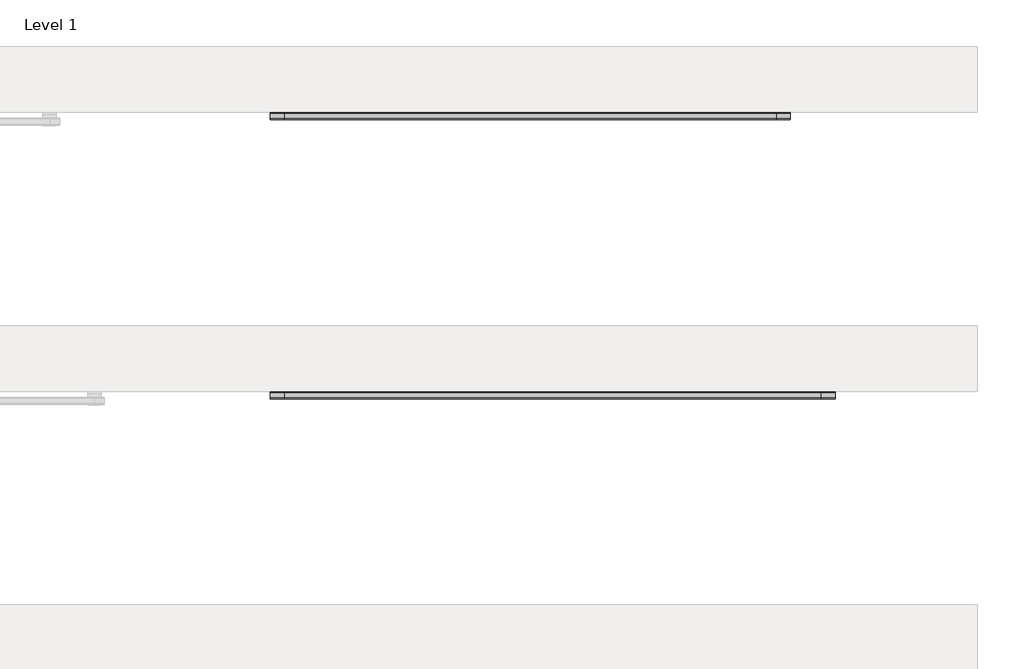
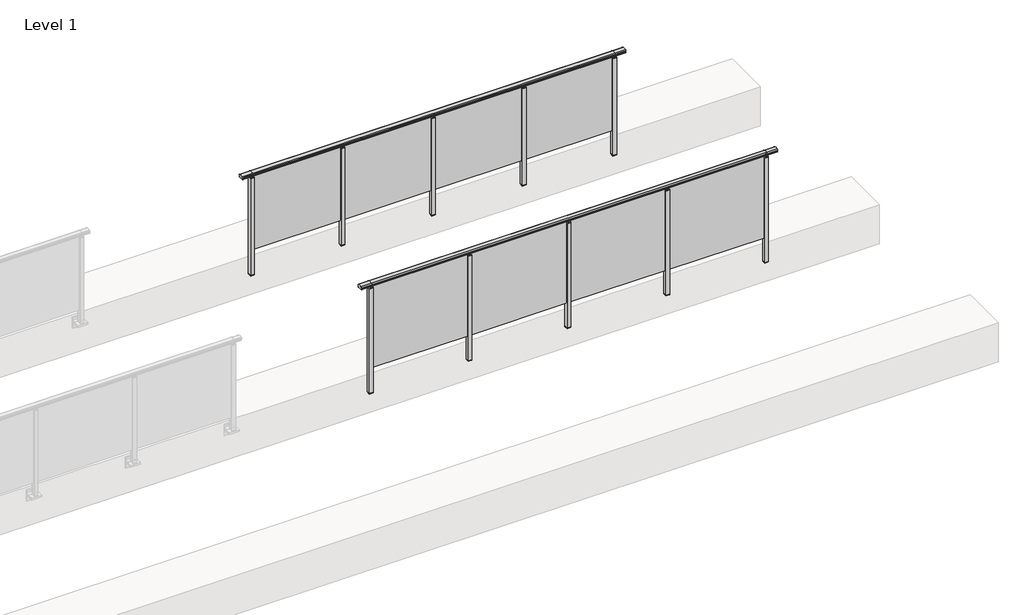
# One storey, part 60 of 64: 2 railings.
"""IFC4 building model written with IfcOpenShell, lengths in millimetres."""

from ifc_helpers import new_model, si_unit, frame, origin, place, context, project, spatial, polyline, circle_curve, outline, extrude, element, save
from ifc_brep_helpers import plane_surface, cylinder_surface, revolved_surface, advanced_brep

model = new_model("IFC4")

# Units and contexts
model_context = context("Model", 3, world=origin())
ifc_project = project(units=[si_unit("LENGTHUNIT", "METRE", prefix="MILLI")], contexts=[model_context])

# Site, building, storey
site = spatial("IfcSite", under=ifc_project)
building = spatial("IfcBuilding", under=site)
storey = spatial("IfcBuildingStorey", under=building, Name="Level 1", Elevation=0.0)

# Railings
placement = place(None, origin())
element("IfcRailing", 1, at=placement, inside=storey, context=model_context, shape_type="SolidModel", body=[
    advanced_brep(
    [(49372.5, 32392.8633756, 1195.6691182), (49372.5, 32397.6846828, 1181.1334092), (49372.5, 32396.7413744, 1169.2539035), (49372.5, 32398.6364177, 1161.4863007), (49372.5, 32396.9894799, 1160.384124), (49372.5, 32396.9894799, 1162.0), (49372.5, 32338.3798858, 1162.0), (49372.5, 32338.3798858, 1160.384124), (49372.5, 32336.732948, 1161.4863007), (49372.5, 32338.6279912, 1169.2539035), (49372.5, 32337.6846828, 1181.1334092), (49372.5, 32342.50599, 1195.6691182), (54427.5, 32392.8633756, 1195.6691182), (54427.5, 32342.50599, 1195.6691182), (54427.5, 32337.6846828, 1181.1334092), (54427.5, 32338.6279912, 1169.2539035), (54427.5, 32336.732948, 1161.4863007), (54427.5, 32338.3798858, 1160.384124), (54427.5, 32338.3798858, 1162.0), (54427.5, 32396.9894799, 1162.0), (54427.5, 32396.9894799, 1160.384124), (54427.5, 32398.6364177, 1161.4863007), (54427.5, 32396.7413744, 1169.2539035), (54427.5, 32397.6846828, 1181.1334092), (49500.0, 32392.8633756, 1195.6691182), (49500.0, 32397.6846828, 1181.1334092), (49500.0, 32396.7413744, 1169.2539035), (49500.0, 32398.6364177, 1161.4863007), (49500.0, 32396.9894799, 1160.384124), (49500.0, 32396.9894799, 1162.0), (49500.0, 32338.3798858, 1162.0), (49500.0, 32338.3798858, 1160.384124), (49500.0, 32336.732948, 1161.4863007), (49500.0, 32338.6279912, 1169.2539035), (49500.0, 32337.6846828, 1181.1334092), (49500.0, 32342.50599, 1195.6691182), (54300.0, 32392.8633756, 1195.6691182), (54300.0, 32397.6846828, 1181.1334092), (54300.0, 32396.7413744, 1169.2539035), (54300.0, 32398.6364177, 1161.4863007), (54300.0, 32396.9894799, 1160.384124), (54300.0, 32396.9894799, 1162.0), (54300.0, 32338.3798858, 1162.0), (54300.0, 32338.3798858, 1160.384124), (54300.0, 32336.732948, 1161.4863007), (54300.0, 32338.6279912, 1169.2539035), (54300.0, 32337.6846828, 1181.1334092), (54300.0, 32342.50599, 1195.6691182)],
    [
        (0, 1, circle_curve(frame((49372.5, 32389.6223845, 1186.526686), z_axis=(-1.0, 0.0, 0.0), x_axis=(0.0, -1.0, 0.0)), 9.6999015)),
        (1, 2, circle_curve(frame((49372.5, 32415.2252545, 1173.7633709), z_axis=(1.0, 0.0, 0.0), x_axis=(0.0, -1.0, 0.0)), 19.0260117)),
        (2, 3),
        (3, 4, circle_curve(frame((49372.5, 32397.7772073, 1160.9886194), z_axis=(-1.0, 0.0, 0.0), x_axis=(0.0, -1.0, 0.0)), 0.9929396)),
        (4, 5),
        (5, 6),
        (6, 7),
        (7, 8, circle_curve(frame((49372.5, 32337.5921584, 1160.9886194), z_axis=(-1.0, 0.0, 0.0), x_axis=(0.0, 1.0, 0.0)), 0.9929396)),
        (8, 9),
        (9, 10, circle_curve(frame((49372.5, 32320.1441111, 1173.7633709), z_axis=(1.0, 0.0, 0.0), x_axis=(0.0, 1.0, 0.0)), 19.0260117)),
        (10, 11, circle_curve(frame((49372.5, 32345.7469812, 1186.526686), z_axis=(-1.0, 0.0, 0.0), x_axis=(0.0, 1.0, 0.0)), 9.6999015)),
        (11, 0, circle_curve(frame((49372.5, 32367.6846828, 1124.6431628), z_axis=(-1.0, 0.0, 0.0), x_axis=(0.0, 1.0, 0.0)), 75.3568372)),
        (12, 13, circle_curve(frame((54427.5, 32367.6846828, 1124.6431628), z_axis=(1.0, 0.0, 0.0), x_axis=(0.0, 1.0, 0.0)), 75.3568372)),
        (13, 14, circle_curve(frame((54427.5, 32345.7469812, 1186.526686), z_axis=(1.0, 0.0, 0.0), x_axis=(0.0, 1.0, 0.0)), 9.6999015)),
        (14, 15, circle_curve(frame((54427.5, 32320.1441111, 1173.7633709), z_axis=(-1.0, 0.0, 0.0), x_axis=(0.0, 1.0, 0.0)), 19.0260117)),
        (15, 16),
        (16, 17, circle_curve(frame((54427.5, 32337.5921584, 1160.9886194), z_axis=(1.0, 0.0, 0.0), x_axis=(0.0, 1.0, 0.0)), 0.9929396)),
        (17, 18),
        (18, 19),
        (19, 20),
        (20, 21, circle_curve(frame((54427.5, 32397.7772073, 1160.9886194), z_axis=(1.0, 0.0, 0.0), x_axis=(0.0, -1.0, 0.0)), 0.9929396)),
        (21, 22),
        (22, 23, circle_curve(frame((54427.5, 32415.2252545, 1173.7633709), z_axis=(-1.0, 0.0, 0.0), x_axis=(0.0, -1.0, 0.0)), 19.0260117)),
        (23, 12, circle_curve(frame((54427.5, 32389.6223845, 1186.526686), z_axis=(1.0, 0.0, 0.0), x_axis=(0.0, -1.0, 0.0)), 9.6999015)),
        (0, 24),
        (24, 25, circle_curve(frame((49500.0, 32389.6223845, 1186.526686), z_axis=(-1.0, 0.0, 0.0), x_axis=(0.0, -1.0, 0.0)), 9.6999015)),
        (25, 1),
        (25, 26, circle_curve(frame((49500.0, 32415.2252545, 1173.7633709), z_axis=(1.0, 0.0, 0.0), x_axis=(0.0, -1.0, 0.0)), 19.0260117)),
        (26, 2),
        (26, 27),
        (27, 3),
        (27, 28, circle_curve(frame((49500.0, 32397.7772073, 1160.9886194), z_axis=(-1.0, 0.0, 0.0), x_axis=(0.0, -1.0, 0.0)), 0.9929396)),
        (28, 4),
        (28, 29),
        (29, 5),
        (29, 30),
        (30, 6),
        (30, 31),
        (31, 7),
        (31, 32, circle_curve(frame((49500.0, 32337.5921584, 1160.9886194), z_axis=(-1.0, 0.0, 0.0), x_axis=(0.0, 1.0, 0.0)), 0.9929396)),
        (32, 8),
        (32, 33),
        (33, 9),
        (33, 34, circle_curve(frame((49500.0, 32320.1441111, 1173.7633709), z_axis=(1.0, 0.0, 0.0), x_axis=(0.0, 1.0, 0.0)), 19.0260117)),
        (34, 10),
        (34, 35, circle_curve(frame((49500.0, 32345.7469812, 1186.526686), z_axis=(-1.0, 0.0, 0.0), x_axis=(0.0, 1.0, 0.0)), 9.6999015)),
        (35, 11),
        (35, 24, circle_curve(frame((49500.0, 32367.6846828, 1124.6431628), z_axis=(-1.0, 0.0, 0.0), x_axis=(0.0, 1.0, 0.0)), 75.3568372)),
        (24, 36),
        (36, 37, circle_curve(frame((54300.0, 32389.6223845, 1186.526686), z_axis=(-1.0, 0.0, 0.0), x_axis=(0.0, -1.0, 0.0)), 9.6999015)),
        (37, 25),
        (37, 38, circle_curve(frame((54300.0, 32415.2252545, 1173.7633709), z_axis=(1.0, 0.0, 0.0), x_axis=(0.0, -1.0, 0.0)), 19.0260117)),
        (38, 26),
        (38, 39),
        (39, 27),
        (39, 40, circle_curve(frame((54300.0, 32397.7772073, 1160.9886194), z_axis=(-1.0, 0.0, 0.0), x_axis=(0.0, -1.0, 0.0)), 0.9929396)),
        (40, 28),
        (40, 41),
        (41, 29),
        (41, 42),
        (42, 30),
        (42, 43),
        (43, 31),
        (43, 44, circle_curve(frame((54300.0, 32337.5921584, 1160.9886194), z_axis=(-1.0, 0.0, 0.0), x_axis=(0.0, 1.0, 0.0)), 0.9929396)),
        (44, 32),
        (44, 45),
        (45, 33),
        (45, 46, circle_curve(frame((54300.0, 32320.1441111, 1173.7633709), z_axis=(1.0, 0.0, 0.0), x_axis=(0.0, 1.0, 0.0)), 19.0260117)),
        (46, 34),
        (46, 47, circle_curve(frame((54300.0, 32345.7469812, 1186.526686), z_axis=(-1.0, 0.0, 0.0), x_axis=(0.0, 1.0, 0.0)), 9.6999015)),
        (47, 35),
        (47, 36, circle_curve(frame((54300.0, 32367.6846828, 1124.6431628), z_axis=(-1.0, 0.0, 0.0), x_axis=(0.0, 1.0, 0.0)), 75.3568372)),
        (36, 12),
        (23, 37),
        (22, 38),
        (21, 39),
        (20, 40),
        (19, 41),
        (18, 42),
        (17, 43),
        (16, 44),
        (15, 45),
        (14, 46),
        (13, 47),
    ],
    [
        plane_surface(frame((49372.5, 32367.6846828, 1200.0), z_axis=(-1.0, 0.0, 0.0), x_axis=(0.0, 1.0, 0.0))),
        plane_surface(frame((54427.5, 32367.6846828, 1200.0), z_axis=(1.0, 0.0, 0.0), x_axis=(0.0, 1.0, 0.0))),
        cylinder_surface(frame((49372.5, 32389.6223845, 1186.526686), z_axis=(-1.0, 0.0, 0.0), x_axis=(0.0, -1.0, 0.0)), 9.6999015),
        revolved_surface(polyline([(49500.0, 32396.1992428, 1173.7633709), (49372.5, 32396.1992428, 1173.7633709)]), (49372.5, 32415.2252545, 1173.7633709), (1.0, 0.0, 0.0)),
        plane_surface(frame((49372.5, 32396.7413744, 1169.2539035), z_axis=(0.0, 0.9715057689301543, 0.2370159086125439), x_axis=(1.0, 0.0, 0.0))),
        cylinder_surface(frame((49372.5, 32397.7772073, 1160.9886194), z_axis=(-1.0, 0.0, 0.0), x_axis=(0.0, -1.0, 0.0)), 0.9929396),
        plane_surface(frame((49372.5, 32396.9894799, 1160.384124), z_axis=(0.0, -1.0, 0.0), x_axis=(1.0, 0.0, 0.0))),
        plane_surface(frame((49372.5, 32396.9894799, 1162.0), z_axis=(0.0, 0.0, -1.0), x_axis=(1.0, 0.0, 0.0))),
        plane_surface(frame((49372.5, 32338.3798858, 1162.0), z_axis=(0.0, 1.0, 0.0), x_axis=(1.0, 0.0, 0.0))),
        cylinder_surface(frame((49372.5, 32337.5921584, 1160.9886194), z_axis=(-1.0, 0.0, 0.0), x_axis=(0.0, 1.0, 0.0)), 0.9929396),
        plane_surface(frame((49372.5, 32336.732948, 1161.4863007), z_axis=(0.0, -0.9715057689301543, 0.2370159086125439), x_axis=(1.0, 0.0, 0.0))),
        revolved_surface(polyline([(49500.0, 32339.1701228, 1173.7633709), (49372.5, 32339.1701228, 1173.7633709)]), (49372.5, 32320.1441111, 1173.7633709), (1.0, 0.0, 0.0)),
        cylinder_surface(frame((49372.5, 32345.7469812, 1186.526686), z_axis=(-1.0, 0.0, 0.0), x_axis=(0.0, 1.0, 0.0)), 9.6999015),
        cylinder_surface(frame((49372.5, 32367.6846828, 1124.6431628), z_axis=(-1.0, 0.0, 0.0), x_axis=(0.0, 1.0, 0.0)), 75.3568372),
        cylinder_surface(frame((49500.0, 32389.6223845, 1186.526686), z_axis=(-1.0, 0.0, 0.0), x_axis=(0.0, -1.0, 0.0)), 9.6999015),
        revolved_surface(polyline([(54300.0, 32396.1992428, 1173.7633709), (49500.0, 32396.1992428, 1173.7633709)]), (49500.0, 32415.2252545, 1173.7633709), (1.0, 0.0, 0.0)),
        plane_surface(frame((49500.0, 32396.7413744, 1169.2539035), z_axis=(0.0, 0.9715057689301543, 0.2370159086125439), x_axis=(1.0, 0.0, 0.0))),
        cylinder_surface(frame((49500.0, 32397.7772073, 1160.9886194), z_axis=(-1.0, 0.0, 0.0), x_axis=(0.0, -1.0, 0.0)), 0.9929396),
        plane_surface(frame((49500.0, 32396.9894799, 1160.384124), z_axis=(0.0, -1.0, 0.0), x_axis=(1.0, 0.0, 0.0))),
        plane_surface(frame((49500.0, 32396.9894799, 1162.0), z_axis=(0.0, 0.0, -1.0), x_axis=(1.0, 0.0, 0.0))),
        plane_surface(frame((49500.0, 32338.3798858, 1162.0), z_axis=(0.0, 1.0, 0.0), x_axis=(1.0, 0.0, 0.0))),
        cylinder_surface(frame((49500.0, 32337.5921584, 1160.9886194), z_axis=(-1.0, 0.0, 0.0), x_axis=(0.0, 1.0, 0.0)), 0.9929396),
        plane_surface(frame((49500.0, 32336.732948, 1161.4863007), z_axis=(0.0, -0.9715057689301543, 0.2370159086125439), x_axis=(1.0, 0.0, 0.0))),
        revolved_surface(polyline([(54300.0, 32339.1701228, 1173.7633709), (49500.0, 32339.1701228, 1173.7633709)]), (49500.0, 32320.1441111, 1173.7633709), (1.0, 0.0, 0.0)),
        cylinder_surface(frame((49500.0, 32345.7469812, 1186.526686), z_axis=(-1.0, 0.0, 0.0), x_axis=(0.0, 1.0, 0.0)), 9.6999015),
        cylinder_surface(frame((49500.0, 32367.6846828, 1124.6431628), z_axis=(-1.0, 0.0, 0.0), x_axis=(0.0, 1.0, 0.0)), 75.3568372),
        cylinder_surface(frame((54300.0, 32389.6223845, 1186.526686), z_axis=(-1.0, 0.0, 0.0), x_axis=(0.0, -1.0, 0.0)), 9.6999015),
        revolved_surface(polyline([(54427.5, 32396.1992428, 1173.7633709), (54300.0, 32396.1992428, 1173.7633709)]), (54300.0, 32415.2252545, 1173.7633709), (1.0, 0.0, 0.0)),
        plane_surface(frame((54300.0, 32396.7413744, 1169.2539035), z_axis=(0.0, 0.9715057689301543, 0.2370159086125439), x_axis=(1.0, 0.0, 0.0))),
        cylinder_surface(frame((54300.0, 32397.7772073, 1160.9886194), z_axis=(-1.0, 0.0, 0.0), x_axis=(0.0, -1.0, 0.0)), 0.9929396),
        plane_surface(frame((54300.0, 32396.9894799, 1160.384124), z_axis=(0.0, -1.0, 0.0), x_axis=(1.0, 0.0, 0.0))),
        plane_surface(frame((54300.0, 32396.9894799, 1162.0), z_axis=(0.0, 0.0, -1.0), x_axis=(1.0, 0.0, 0.0))),
        plane_surface(frame((54300.0, 32338.3798858, 1162.0), z_axis=(0.0, 1.0, 0.0), x_axis=(1.0, 0.0, 0.0))),
        cylinder_surface(frame((54300.0, 32337.5921584, 1160.9886194), z_axis=(-1.0, 0.0, 0.0), x_axis=(0.0, 1.0, 0.0)), 0.9929396),
        plane_surface(frame((54300.0, 32336.732948, 1161.4863007), z_axis=(0.0, -0.9715057689301543, 0.2370159086125439), x_axis=(1.0, 0.0, 0.0))),
        revolved_surface(polyline([(54427.5, 32339.1701228, 1173.7633709), (54300.0, 32339.1701228, 1173.7633709)]), (54300.0, 32320.1441111, 1173.7633709), (1.0, 0.0, 0.0)),
        cylinder_surface(frame((54300.0, 32345.7469812, 1186.526686), z_axis=(-1.0, 0.0, 0.0), x_axis=(0.0, 1.0, 0.0)), 9.6999015),
        cylinder_surface(frame((54300.0, 32367.6846828, 1124.6431628), z_axis=(-1.0, 0.0, 0.0), x_axis=(0.0, 1.0, 0.0)), 75.3568372),
    ],
    [
        (0, [[1, 2, 3, 4, 5, 6, 7, 8, 9, 10, 11, 12]]),
        (1, [[13, 14, 15, 16, 17, 18, 19, 20, 21, 22, 23, 24]]),
        (2, [[-1, 25, 26, 27]]),
        (3, [[-2, -27, 28, 29]]),
        (4, [[-3, -29, 30, 31]]),
        (5, [[-4, -31, 32, 33]]),
        (6, [[-5, -33, 34, 35]]),
        (7, [[-6, -35, 36, 37]]),
        (8, [[-7, -37, 38, 39]]),
        (9, [[-8, -39, 40, 41]]),
        (10, [[-9, -41, 42, 43]]),
        (11, [[-10, -43, 44, 45]]),
        (12, [[-11, -45, 46, 47]]),
        (13, [[-12, -47, 48, -25]]),
        (14, [[-26, 49, 50, 51]]),
        (15, [[-28, -51, 52, 53]]),
        (16, [[-30, -53, 54, 55]]),
        (17, [[-32, -55, 56, 57]]),
        (18, [[-34, -57, 58, 59]]),
        (19, [[-36, -59, 60, 61]]),
        (20, [[-38, -61, 62, 63]]),
        (21, [[-40, -63, 64, 65]]),
        (22, [[-42, -65, 66, 67]]),
        (23, [[-44, -67, 68, 69]]),
        (24, [[-46, -69, 70, 71]]),
        (25, [[-48, -71, 72, -49]]),
        (26, [[-50, 73, -24, 74]]),
        (27, [[-52, -74, -23, 75]]),
        (28, [[-54, -75, -22, 76]]),
        (29, [[-56, -76, -21, 77]]),
        (30, [[-58, -77, -20, 78]]),
        (31, [[-60, -78, -19, 79]]),
        (32, [[-62, -79, -18, 80]]),
        (33, [[-64, -80, -17, 81]]),
        (34, [[-66, -81, -16, 82]]),
        (35, [[-68, -82, -15, 83]]),
        (36, [[-70, -83, -14, 84]]),
        (37, [[-72, -84, -13, -73]]),
    ],
),
    extrude(outline(polyline([(53110.0, 32361.9094929), (53110.0, 32371.9094929), (54290.0, 32371.9094929), (54290.0, 32361.9094929), (53110.0, 32361.9094929)])), frame((0.0, 0.0, 95.0), z_axis=(0.0, 0.0, 1.0), x_axis=(1.0, 0.0, 0.0)), (0.0, 0.0, 1.0), 1060.0),
    extrude(outline(polyline([(53122.5, 32390.1846828), (53122.5, 32345.1846828), (53077.5, 32345.1846828), (53077.5, 32390.1846828), (53122.5, 32390.1846828)])), frame((0.0, 0.0, 1127.0), z_axis=(0.0, 0.0, 1.0), x_axis=(1.0, 0.0, 0.0)), (0.0, 0.0, 1.0), 8.0),
    extrude(outline(polyline([(53122.5, 32390.1846828), (53122.5, 32345.1846828), (53077.5, 32345.1846828), (53077.5, 32390.1846828), (53122.5, 32390.1846828)])), frame((0.0, 0.0, -212.0), z_axis=(0.0, 0.0, 1.0), x_axis=(1.0, 0.0, 0.0)), (0.0, 0.0, 1.0), 1339.0),
    extrude(outline(polyline([(53110.0, 32377.6846828), (53110.0, 32357.6846828), (53090.0, 32357.6846828), (53090.0, 32377.6846828), (53110.0, 32377.6846828)])), frame((0.0, 0.0, 1135.0), z_axis=(0.0, 0.0, 1.0), x_axis=(1.0, 0.0, 0.0)), (0.0, 0.0, 1.0), 20.0),
    extrude(outline(polyline([(53122.5, 32390.1846828), (53122.5, 32345.1846828), (53077.5, 32345.1846828), (53077.5, 32390.1846828), (53122.5, 32390.1846828)])), frame((0.0, 0.0, -220.0), z_axis=(0.0, 0.0, 1.0), x_axis=(1.0, 0.0, 0.0)), (0.0, 0.0, 1.0), 8.0),
    extrude(outline(polyline([(51910.0, 32361.9094929), (51910.0, 32371.9094929), (53090.0, 32371.9094929), (53090.0, 32361.9094929), (51910.0, 32361.9094929)])), frame((0.0, 0.0, 95.0), z_axis=(0.0, 0.0, 1.0), x_axis=(1.0, 0.0, 0.0)), (0.0, 0.0, 1.0), 1060.0),
    extrude(outline(polyline([(51922.5, 32390.1846828), (51922.5, 32345.1846828), (51877.5, 32345.1846828), (51877.5, 32390.1846828), (51922.5, 32390.1846828)])), frame((0.0, 0.0, 1127.0), z_axis=(0.0, 0.0, 1.0), x_axis=(1.0, 0.0, 0.0)), (0.0, 0.0, 1.0), 8.0),
    extrude(outline(polyline([(51922.5, 32390.1846828), (51922.5, 32345.1846828), (51877.5, 32345.1846828), (51877.5, 32390.1846828), (51922.5, 32390.1846828)])), frame((0.0, 0.0, -212.0), z_axis=(0.0, 0.0, 1.0), x_axis=(1.0, 0.0, 0.0)), (0.0, 0.0, 1.0), 1339.0),
    extrude(outline(polyline([(51910.0, 32377.6846828), (51910.0, 32357.6846828), (51890.0, 32357.6846828), (51890.0, 32377.6846828), (51910.0, 32377.6846828)])), frame((0.0, 0.0, 1135.0), z_axis=(0.0, 0.0, 1.0), x_axis=(1.0, 0.0, 0.0)), (0.0, 0.0, 1.0), 20.0),
    extrude(outline(polyline([(51922.5, 32390.1846828), (51922.5, 32345.1846828), (51877.5, 32345.1846828), (51877.5, 32390.1846828), (51922.5, 32390.1846828)])), frame((0.0, 0.0, -220.0), z_axis=(0.0, 0.0, 1.0), x_axis=(1.0, 0.0, 0.0)), (0.0, 0.0, 1.0), 8.0),
    extrude(outline(polyline([(50710.0, 32361.9094929), (50710.0, 32371.9094929), (51890.0, 32371.9094929), (51890.0, 32361.9094929), (50710.0, 32361.9094929)])), frame((0.0, 0.0, 95.0), z_axis=(0.0, 0.0, 1.0), x_axis=(1.0, 0.0, 0.0)), (0.0, 0.0, 1.0), 1060.0),
    extrude(outline(polyline([(50722.5, 32390.1846828), (50722.5, 32345.1846828), (50677.5, 32345.1846828), (50677.5, 32390.1846828), (50722.5, 32390.1846828)])), frame((0.0, 0.0, 1127.0), z_axis=(0.0, 0.0, 1.0), x_axis=(1.0, 0.0, 0.0)), (0.0, 0.0, 1.0), 8.0),
    extrude(outline(polyline([(50722.5, 32390.1846828), (50722.5, 32345.1846828), (50677.5, 32345.1846828), (50677.5, 32390.1846828), (50722.5, 32390.1846828)])), frame((0.0, 0.0, -212.0), z_axis=(0.0, 0.0, 1.0), x_axis=(1.0, 0.0, 0.0)), (0.0, 0.0, 1.0), 1339.0),
    extrude(outline(polyline([(50710.0, 32377.6846828), (50710.0, 32357.6846828), (50690.0, 32357.6846828), (50690.0, 32377.6846828), (50710.0, 32377.6846828)])), frame((0.0, 0.0, 1135.0), z_axis=(0.0, 0.0, 1.0), x_axis=(1.0, 0.0, 0.0)), (0.0, 0.0, 1.0), 20.0),
    extrude(outline(polyline([(50722.5, 32390.1846828), (50722.5, 32345.1846828), (50677.5, 32345.1846828), (50677.5, 32390.1846828), (50722.5, 32390.1846828)])), frame((0.0, 0.0, -220.0), z_axis=(0.0, 0.0, 1.0), x_axis=(1.0, 0.0, 0.0)), (0.0, 0.0, 1.0), 8.0),
    extrude(outline(polyline([(49510.0, 32361.9094929), (49510.0, 32371.9094929), (50690.0, 32371.9094929), (50690.0, 32361.9094929), (49510.0, 32361.9094929)])), frame((0.0, 0.0, 95.0), z_axis=(0.0, 0.0, 1.0), x_axis=(1.0, 0.0, 0.0)), (0.0, 0.0, 1.0), 1060.0),
    extrude(outline(polyline([(54322.5, 32390.1846828), (54322.5, 32345.1846828), (54277.5, 32345.1846828), (54277.5, 32390.1846828), (54322.5, 32390.1846828)])), frame((0.0, 0.0, 1127.0), z_axis=(0.0, 0.0, 1.0), x_axis=(1.0, 0.0, 0.0)), (0.0, 0.0, 1.0), 8.0),
    extrude(outline(polyline([(54322.5, 32390.1846828), (54322.5, 32345.1846828), (54277.5, 32345.1846828), (54277.5, 32390.1846828), (54322.5, 32390.1846828)])), frame((0.0, 0.0, -212.0), z_axis=(0.0, 0.0, 1.0), x_axis=(1.0, 0.0, 0.0)), (0.0, 0.0, 1.0), 1339.0),
    extrude(outline(polyline([(54310.0, 32377.6846828), (54310.0, 32357.6846828), (54290.0, 32357.6846828), (54290.0, 32377.6846828), (54310.0, 32377.6846828)])), frame((0.0, 0.0, 1135.0), z_axis=(0.0, 0.0, 1.0), x_axis=(1.0, 0.0, 0.0)), (0.0, 0.0, 1.0), 20.0),
    extrude(outline(polyline([(54322.5, 32390.1846828), (54322.5, 32345.1846828), (54277.5, 32345.1846828), (54277.5, 32390.1846828), (54322.5, 32390.1846828)])), frame((0.0, 0.0, -220.0), z_axis=(0.0, 0.0, 1.0), x_axis=(1.0, 0.0, 0.0)), (0.0, 0.0, 1.0), 8.0),
    extrude(outline(polyline([(49522.5, 32390.1846828), (49522.5, 32345.1846828), (49477.5, 32345.1846828), (49477.5, 32390.1846828), (49522.5, 32390.1846828)])), frame((0.0, 0.0, 1127.0), z_axis=(0.0, 0.0, 1.0), x_axis=(1.0, 0.0, 0.0)), (0.0, 0.0, 1.0), 8.0),
    extrude(outline(polyline([(49522.5, 32390.1846828), (49522.5, 32345.1846828), (49477.5, 32345.1846828), (49477.5, 32390.1846828), (49522.5, 32390.1846828)])), frame((0.0, 0.0, -212.0), z_axis=(0.0, 0.0, 1.0), x_axis=(1.0, 0.0, 0.0)), (0.0, 0.0, 1.0), 1339.0),
    extrude(outline(polyline([(49510.0, 32377.6846828), (49510.0, 32357.6846828), (49490.0, 32357.6846828), (49490.0, 32377.6846828), (49510.0, 32377.6846828)])), frame((0.0, 0.0, 1135.0), z_axis=(0.0, 0.0, 1.0), x_axis=(1.0, 0.0, 0.0)), (0.0, 0.0, 1.0), 20.0),
    extrude(outline(polyline([(49522.5, 32390.1846828), (49522.5, 32345.1846828), (49477.5, 32345.1846828), (49477.5, 32390.1846828), (49522.5, 32390.1846828)])), frame((0.0, 0.0, -220.0), z_axis=(0.0, 0.0, 1.0), x_axis=(1.0, 0.0, 0.0)), (0.0, 0.0, 1.0), 8.0),
])
element("IfcRailing", 2, at=placement, inside=storey, context=model_context, shape_type="SolidModel", body=[
    advanced_brep(
    [(49372.5, 34892.8633756, 1095.6691182), (49372.5, 34897.6846828, 1081.1334092), (49372.5, 34896.7413744, 1069.2539035), (49372.5, 34898.6364177, 1061.4863007), (49372.5, 34896.9894799, 1060.384124), (49372.5, 34896.9894799, 1062.0), (49372.5, 34838.3798858, 1062.0), (49372.5, 34838.3798858, 1060.384124), (49372.5, 34836.732948, 1061.4863007), (49372.5, 34838.6279912, 1069.2539035), (49372.5, 34837.6846828, 1081.1334092), (49372.5, 34842.50599, 1095.6691182), (54027.5, 34892.8633756, 1095.6691182), (54027.5, 34842.50599, 1095.6691182), (54027.5, 34837.6846828, 1081.1334092), (54027.5, 34838.6279912, 1069.2539035), (54027.5, 34836.732948, 1061.4863007), (54027.5, 34838.3798858, 1060.384124), (54027.5, 34838.3798858, 1062.0), (54027.5, 34896.9894799, 1062.0), (54027.5, 34896.9894799, 1060.384124), (54027.5, 34898.6364177, 1061.4863007), (54027.5, 34896.7413744, 1069.2539035), (54027.5, 34897.6846828, 1081.1334092), (49500.0, 34892.8633756, 1095.6691182), (49500.0, 34897.6846828, 1081.1334092), (49500.0, 34896.7413744, 1069.2539035), (49500.0, 34898.6364177, 1061.4863007), (49500.0, 34896.9894799, 1060.384124), (49500.0, 34896.9894799, 1062.0), (49500.0, 34838.3798858, 1062.0), (49500.0, 34838.3798858, 1060.384124), (49500.0, 34836.732948, 1061.4863007), (49500.0, 34838.6279912, 1069.2539035), (49500.0, 34837.6846828, 1081.1334092), (49500.0, 34842.50599, 1095.6691182), (53900.0, 34892.8633756, 1095.6691182), (53900.0, 34897.6846828, 1081.1334092), (53900.0, 34896.7413744, 1069.2539035), (53900.0, 34898.6364177, 1061.4863007), (53900.0, 34896.9894799, 1060.384124), (53900.0, 34896.9894799, 1062.0), (53900.0, 34838.3798858, 1062.0), (53900.0, 34838.3798858, 1060.384124), (53900.0, 34836.732948, 1061.4863007), (53900.0, 34838.6279912, 1069.2539035), (53900.0, 34837.6846828, 1081.1334092), (53900.0, 34842.50599, 1095.6691182)],
    [
        (0, 1, circle_curve(frame((49372.5, 34889.6223845, 1086.526686), z_axis=(-1.0, 0.0, 0.0), x_axis=(0.0, -1.0, 0.0)), 9.6999015)),
        (1, 2, circle_curve(frame((49372.5, 34915.2252545, 1073.7633709), z_axis=(1.0, 0.0, 0.0), x_axis=(0.0, -1.0, 0.0)), 19.0260117)),
        (2, 3),
        (3, 4, circle_curve(frame((49372.5, 34897.7772073, 1060.9886194), z_axis=(-1.0, 0.0, 0.0), x_axis=(0.0, -1.0, 0.0)), 0.9929396)),
        (4, 5),
        (5, 6),
        (6, 7),
        (7, 8, circle_curve(frame((49372.5, 34837.5921584, 1060.9886194), z_axis=(-1.0, 0.0, 0.0), x_axis=(0.0, 1.0, 0.0)), 0.9929396)),
        (8, 9),
        (9, 10, circle_curve(frame((49372.5, 34820.1441111, 1073.7633709), z_axis=(1.0, 0.0, 0.0), x_axis=(0.0, 1.0, 0.0)), 19.0260117)),
        (10, 11, circle_curve(frame((49372.5, 34845.7469812, 1086.526686), z_axis=(-1.0, 0.0, 0.0), x_axis=(0.0, 1.0, 0.0)), 9.6999015)),
        (11, 0, circle_curve(frame((49372.5, 34867.6846828, 1024.6431628), z_axis=(-1.0, 0.0, 0.0), x_axis=(0.0, 1.0, 0.0)), 75.3568372)),
        (12, 13, circle_curve(frame((54027.5, 34867.6846828, 1024.6431628), z_axis=(1.0, 0.0, 0.0), x_axis=(0.0, 1.0, 0.0)), 75.3568372)),
        (13, 14, circle_curve(frame((54027.5, 34845.7469812, 1086.526686), z_axis=(1.0, 0.0, 0.0), x_axis=(0.0, 1.0, 0.0)), 9.6999015)),
        (14, 15, circle_curve(frame((54027.5, 34820.1441111, 1073.7633709), z_axis=(-1.0, 0.0, 0.0), x_axis=(0.0, 1.0, 0.0)), 19.0260117)),
        (15, 16),
        (16, 17, circle_curve(frame((54027.5, 34837.5921584, 1060.9886194), z_axis=(1.0, 0.0, 0.0), x_axis=(0.0, 1.0, 0.0)), 0.9929396)),
        (17, 18),
        (18, 19),
        (19, 20),
        (20, 21, circle_curve(frame((54027.5, 34897.7772073, 1060.9886194), z_axis=(1.0, 0.0, 0.0), x_axis=(0.0, -1.0, 0.0)), 0.9929396)),
        (21, 22),
        (22, 23, circle_curve(frame((54027.5, 34915.2252545, 1073.7633709), z_axis=(-1.0, 0.0, 0.0), x_axis=(0.0, -1.0, 0.0)), 19.0260117)),
        (23, 12, circle_curve(frame((54027.5, 34889.6223845, 1086.526686), z_axis=(1.0, 0.0, 0.0), x_axis=(0.0, -1.0, 0.0)), 9.6999015)),
        (0, 24),
        (24, 25, circle_curve(frame((49500.0, 34889.6223845, 1086.526686), z_axis=(-1.0, 0.0, 0.0), x_axis=(0.0, -1.0, 0.0)), 9.6999015)),
        (25, 1),
        (25, 26, circle_curve(frame((49500.0, 34915.2252545, 1073.7633709), z_axis=(1.0, 0.0, 0.0), x_axis=(0.0, -1.0, 0.0)), 19.0260117)),
        (26, 2),
        (26, 27),
        (27, 3),
        (27, 28, circle_curve(frame((49500.0, 34897.7772073, 1060.9886194), z_axis=(-1.0, 0.0, 0.0), x_axis=(0.0, -1.0, 0.0)), 0.9929396)),
        (28, 4),
        (28, 29),
        (29, 5),
        (29, 30),
        (30, 6),
        (30, 31),
        (31, 7),
        (31, 32, circle_curve(frame((49500.0, 34837.5921584, 1060.9886194), z_axis=(-1.0, 0.0, 0.0), x_axis=(0.0, 1.0, 0.0)), 0.9929396)),
        (32, 8),
        (32, 33),
        (33, 9),
        (33, 34, circle_curve(frame((49500.0, 34820.1441111, 1073.7633709), z_axis=(1.0, 0.0, 0.0), x_axis=(0.0, 1.0, 0.0)), 19.0260117)),
        (34, 10),
        (34, 35, circle_curve(frame((49500.0, 34845.7469812, 1086.526686), z_axis=(-1.0, 0.0, 0.0), x_axis=(0.0, 1.0, 0.0)), 9.6999015)),
        (35, 11),
        (35, 24, circle_curve(frame((49500.0, 34867.6846828, 1024.6431628), z_axis=(-1.0, 0.0, 0.0), x_axis=(0.0, 1.0, 0.0)), 75.3568372)),
        (24, 36),
        (36, 37, circle_curve(frame((53900.0, 34889.6223845, 1086.526686), z_axis=(-1.0, 0.0, 0.0), x_axis=(0.0, -1.0, 0.0)), 9.6999015)),
        (37, 25),
        (37, 38, circle_curve(frame((53900.0, 34915.2252545, 1073.7633709), z_axis=(1.0, 0.0, 0.0), x_axis=(0.0, -1.0, 0.0)), 19.0260117)),
        (38, 26),
        (38, 39),
        (39, 27),
        (39, 40, circle_curve(frame((53900.0, 34897.7772073, 1060.9886194), z_axis=(-1.0, 0.0, 0.0), x_axis=(0.0, -1.0, 0.0)), 0.9929396)),
        (40, 28),
        (40, 41),
        (41, 29),
        (41, 42),
        (42, 30),
        (42, 43),
        (43, 31),
        (43, 44, circle_curve(frame((53900.0, 34837.5921584, 1060.9886194), z_axis=(-1.0, 0.0, 0.0), x_axis=(0.0, 1.0, 0.0)), 0.9929396)),
        (44, 32),
        (44, 45),
        (45, 33),
        (45, 46, circle_curve(frame((53900.0, 34820.1441111, 1073.7633709), z_axis=(1.0, 0.0, 0.0), x_axis=(0.0, 1.0, 0.0)), 19.0260117)),
        (46, 34),
        (46, 47, circle_curve(frame((53900.0, 34845.7469812, 1086.526686), z_axis=(-1.0, 0.0, 0.0), x_axis=(0.0, 1.0, 0.0)), 9.6999015)),
        (47, 35),
        (47, 36, circle_curve(frame((53900.0, 34867.6846828, 1024.6431628), z_axis=(-1.0, 0.0, 0.0), x_axis=(0.0, 1.0, 0.0)), 75.3568372)),
        (36, 12),
        (23, 37),
        (22, 38),
        (21, 39),
        (20, 40),
        (19, 41),
        (18, 42),
        (17, 43),
        (16, 44),
        (15, 45),
        (14, 46),
        (13, 47),
    ],
    [
        plane_surface(frame((49372.5, 34867.6846828, 1100.0), z_axis=(-1.0, 0.0, 0.0), x_axis=(0.0, 1.0, 0.0))),
        plane_surface(frame((54027.5, 34867.6846828, 1100.0), z_axis=(1.0, 0.0, 0.0), x_axis=(0.0, 1.0, 0.0))),
        cylinder_surface(frame((49372.5, 34889.6223845, 1086.526686), z_axis=(-1.0, 0.0, 0.0), x_axis=(0.0, -1.0, 0.0)), 9.6999015),
        revolved_surface(polyline([(49500.0, 34896.1992428, 1073.7633709), (49372.5, 34896.1992428, 1073.7633709)]), (49372.5, 34915.2252545, 1073.7633709), (1.0, 0.0, 0.0)),
        plane_surface(frame((49372.5, 34896.7413744, 1069.2539035), z_axis=(0.0, 0.9715057689301543, 0.2370159086125439), x_axis=(1.0, 0.0, 0.0))),
        cylinder_surface(frame((49372.5, 34897.7772073, 1060.9886194), z_axis=(-1.0, 0.0, 0.0), x_axis=(0.0, -1.0, 0.0)), 0.9929396),
        plane_surface(frame((49372.5, 34896.9894799, 1060.384124), z_axis=(0.0, -1.0, 0.0), x_axis=(1.0, 0.0, 0.0))),
        plane_surface(frame((49372.5, 34896.9894799, 1062.0), z_axis=(0.0, 0.0, -1.0), x_axis=(1.0, 0.0, 0.0))),
        plane_surface(frame((49372.5, 34838.3798858, 1062.0), z_axis=(0.0, 1.0, 0.0), x_axis=(1.0, 0.0, 0.0))),
        cylinder_surface(frame((49372.5, 34837.5921584, 1060.9886194), z_axis=(-1.0, 0.0, 0.0), x_axis=(0.0, 1.0, 0.0)), 0.9929396),
        plane_surface(frame((49372.5, 34836.732948, 1061.4863007), z_axis=(0.0, -0.9715057689301543, 0.2370159086125439), x_axis=(1.0, 0.0, 0.0))),
        revolved_surface(polyline([(49500.0, 34839.1701228, 1073.7633709), (49372.5, 34839.1701228, 1073.7633709)]), (49372.5, 34820.1441111, 1073.7633709), (1.0, 0.0, 0.0)),
        cylinder_surface(frame((49372.5, 34845.7469812, 1086.526686), z_axis=(-1.0, 0.0, 0.0), x_axis=(0.0, 1.0, 0.0)), 9.6999015),
        cylinder_surface(frame((49372.5, 34867.6846828, 1024.6431628), z_axis=(-1.0, 0.0, 0.0), x_axis=(0.0, 1.0, 0.0)), 75.3568372),
        cylinder_surface(frame((49500.0, 34889.6223845, 1086.526686), z_axis=(-1.0, 0.0, 0.0), x_axis=(0.0, -1.0, 0.0)), 9.6999015),
        revolved_surface(polyline([(53900.0, 34896.1992428, 1073.7633709), (49500.0, 34896.1992428, 1073.7633709)]), (49500.0, 34915.2252545, 1073.7633709), (1.0, 0.0, 0.0)),
        plane_surface(frame((49500.0, 34896.7413744, 1069.2539035), z_axis=(0.0, 0.9715057689301543, 0.2370159086125439), x_axis=(1.0, 0.0, 0.0))),
        cylinder_surface(frame((49500.0, 34897.7772073, 1060.9886194), z_axis=(-1.0, 0.0, 0.0), x_axis=(0.0, -1.0, 0.0)), 0.9929396),
        plane_surface(frame((49500.0, 34896.9894799, 1060.384124), z_axis=(0.0, -1.0, 0.0), x_axis=(1.0, 0.0, 0.0))),
        plane_surface(frame((49500.0, 34896.9894799, 1062.0), z_axis=(0.0, 0.0, -1.0), x_axis=(1.0, 0.0, 0.0))),
        plane_surface(frame((49500.0, 34838.3798858, 1062.0), z_axis=(0.0, 1.0, 0.0), x_axis=(1.0, 0.0, 0.0))),
        cylinder_surface(frame((49500.0, 34837.5921584, 1060.9886194), z_axis=(-1.0, 0.0, 0.0), x_axis=(0.0, 1.0, 0.0)), 0.9929396),
        plane_surface(frame((49500.0, 34836.732948, 1061.4863007), z_axis=(0.0, -0.9715057689301543, 0.2370159086125439), x_axis=(1.0, 0.0, 0.0))),
        revolved_surface(polyline([(53900.0, 34839.1701228, 1073.7633709), (49500.0, 34839.1701228, 1073.7633709)]), (49500.0, 34820.1441111, 1073.7633709), (1.0, 0.0, 0.0)),
        cylinder_surface(frame((49500.0, 34845.7469812, 1086.526686), z_axis=(-1.0, 0.0, 0.0), x_axis=(0.0, 1.0, 0.0)), 9.6999015),
        cylinder_surface(frame((49500.0, 34867.6846828, 1024.6431628), z_axis=(-1.0, 0.0, 0.0), x_axis=(0.0, 1.0, 0.0)), 75.3568372),
        cylinder_surface(frame((53900.0, 34889.6223845, 1086.526686), z_axis=(-1.0, 0.0, 0.0), x_axis=(0.0, -1.0, 0.0)), 9.6999015),
        revolved_surface(polyline([(54027.5, 34896.1992428, 1073.7633709), (53900.0, 34896.1992428, 1073.7633709)]), (53900.0, 34915.2252545, 1073.7633709), (1.0, 0.0, 0.0)),
        plane_surface(frame((53900.0, 34896.7413744, 1069.2539035), z_axis=(0.0, 0.9715057689301543, 0.2370159086125439), x_axis=(1.0, 0.0, 0.0))),
        cylinder_surface(frame((53900.0, 34897.7772073, 1060.9886194), z_axis=(-1.0, 0.0, 0.0), x_axis=(0.0, -1.0, 0.0)), 0.9929396),
        plane_surface(frame((53900.0, 34896.9894799, 1060.384124), z_axis=(0.0, -1.0, 0.0), x_axis=(1.0, 0.0, 0.0))),
        plane_surface(frame((53900.0, 34896.9894799, 1062.0), z_axis=(0.0, 0.0, -1.0), x_axis=(1.0, 0.0, 0.0))),
        plane_surface(frame((53900.0, 34838.3798858, 1062.0), z_axis=(0.0, 1.0, 0.0), x_axis=(1.0, 0.0, 0.0))),
        cylinder_surface(frame((53900.0, 34837.5921584, 1060.9886194), z_axis=(-1.0, 0.0, 0.0), x_axis=(0.0, 1.0, 0.0)), 0.9929396),
        plane_surface(frame((53900.0, 34836.732948, 1061.4863007), z_axis=(0.0, -0.9715057689301543, 0.2370159086125439), x_axis=(1.0, 0.0, 0.0))),
        revolved_surface(polyline([(54027.5, 34839.1701228, 1073.7633709), (53900.0, 34839.1701228, 1073.7633709)]), (53900.0, 34820.1441111, 1073.7633709), (1.0, 0.0, 0.0)),
        cylinder_surface(frame((53900.0, 34845.7469812, 1086.526686), z_axis=(-1.0, 0.0, 0.0), x_axis=(0.0, 1.0, 0.0)), 9.6999015),
        cylinder_surface(frame((53900.0, 34867.6846828, 1024.6431628), z_axis=(-1.0, 0.0, 0.0), x_axis=(0.0, 1.0, 0.0)), 75.3568372),
    ],
    [
        (0, [[1, 2, 3, 4, 5, 6, 7, 8, 9, 10, 11, 12]]),
        (1, [[13, 14, 15, 16, 17, 18, 19, 20, 21, 22, 23, 24]]),
        (2, [[-1, 25, 26, 27]]),
        (3, [[-2, -27, 28, 29]]),
        (4, [[-3, -29, 30, 31]]),
        (5, [[-4, -31, 32, 33]]),
        (6, [[-5, -33, 34, 35]]),
        (7, [[-6, -35, 36, 37]]),
        (8, [[-7, -37, 38, 39]]),
        (9, [[-8, -39, 40, 41]]),
        (10, [[-9, -41, 42, 43]]),
        (11, [[-10, -43, 44, 45]]),
        (12, [[-11, -45, 46, 47]]),
        (13, [[-12, -47, 48, -25]]),
        (14, [[-26, 49, 50, 51]]),
        (15, [[-28, -51, 52, 53]]),
        (16, [[-30, -53, 54, 55]]),
        (17, [[-32, -55, 56, 57]]),
        (18, [[-34, -57, 58, 59]]),
        (19, [[-36, -59, 60, 61]]),
        (20, [[-38, -61, 62, 63]]),
        (21, [[-40, -63, 64, 65]]),
        (22, [[-42, -65, 66, 67]]),
        (23, [[-44, -67, 68, 69]]),
        (24, [[-46, -69, 70, 71]]),
        (25, [[-48, -71, 72, -49]]),
        (26, [[-50, 73, -24, 74]]),
        (27, [[-52, -74, -23, 75]]),
        (28, [[-54, -75, -22, 76]]),
        (29, [[-56, -76, -21, 77]]),
        (30, [[-58, -77, -20, 78]]),
        (31, [[-60, -78, -19, 79]]),
        (32, [[-62, -79, -18, 80]]),
        (33, [[-64, -80, -17, 81]]),
        (34, [[-66, -81, -16, 82]]),
        (35, [[-68, -82, -15, 83]]),
        (36, [[-70, -83, -14, 84]]),
        (37, [[-72, -84, -13, -73]]),
    ],
),
    extrude(outline(polyline([(52810.0, 34861.9094929), (52810.0, 34871.9094929), (53890.0, 34871.9094929), (53890.0, 34861.9094929), (52810.0, 34861.9094929)])), frame((0.0, 0.0, 95.0), z_axis=(0.0, 0.0, 1.0), x_axis=(1.0, 0.0, 0.0)), (0.0, 0.0, 1.0), 960.0),
    extrude(outline(polyline([(52822.5, 34890.1846828), (52822.5, 34845.1846828), (52777.5, 34845.1846828), (52777.5, 34890.1846828), (52822.5, 34890.1846828)])), frame((0.0, 0.0, 1027.0), z_axis=(0.0, 0.0, 1.0), x_axis=(1.0, 0.0, 0.0)), (0.0, 0.0, 1.0), 8.0),
    extrude(outline(polyline([(52822.5, 34890.1846828), (52822.5, 34845.1846828), (52777.5, 34845.1846828), (52777.5, 34890.1846828), (52822.5, 34890.1846828)])), frame((0.0, 0.0, -212.0), z_axis=(0.0, 0.0, 1.0), x_axis=(1.0, 0.0, 0.0)), (0.0, 0.0, 1.0), 1239.0),
    extrude(outline(polyline([(52810.0, 34877.6846828), (52810.0, 34857.6846828), (52790.0, 34857.6846828), (52790.0, 34877.6846828), (52810.0, 34877.6846828)])), frame((0.0, 0.0, 1035.0), z_axis=(0.0, 0.0, 1.0), x_axis=(1.0, 0.0, 0.0)), (0.0, 0.0, 1.0), 20.0),
    extrude(outline(polyline([(52822.5, 34890.1846828), (52822.5, 34845.1846828), (52777.5, 34845.1846828), (52777.5, 34890.1846828), (52822.5, 34890.1846828)])), frame((0.0, 0.0, -220.0), z_axis=(0.0, 0.0, 1.0), x_axis=(1.0, 0.0, 0.0)), (0.0, 0.0, 1.0), 8.0),
    extrude(outline(polyline([(51710.0, 34861.9094929), (51710.0, 34871.9094929), (52790.0, 34871.9094929), (52790.0, 34861.9094929), (51710.0, 34861.9094929)])), frame((0.0, 0.0, 95.0), z_axis=(0.0, 0.0, 1.0), x_axis=(1.0, 0.0, 0.0)), (0.0, 0.0, 1.0), 960.0),
    extrude(outline(polyline([(51722.5, 34890.1846828), (51722.5, 34845.1846828), (51677.5, 34845.1846828), (51677.5, 34890.1846828), (51722.5, 34890.1846828)])), frame((0.0, 0.0, 1027.0), z_axis=(0.0, 0.0, 1.0), x_axis=(1.0, 0.0, 0.0)), (0.0, 0.0, 1.0), 8.0),
    extrude(outline(polyline([(51722.5, 34890.1846828), (51722.5, 34845.1846828), (51677.5, 34845.1846828), (51677.5, 34890.1846828), (51722.5, 34890.1846828)])), frame((0.0, 0.0, -212.0), z_axis=(0.0, 0.0, 1.0), x_axis=(1.0, 0.0, 0.0)), (0.0, 0.0, 1.0), 1239.0),
    extrude(outline(polyline([(51710.0, 34877.6846828), (51710.0, 34857.6846828), (51690.0, 34857.6846828), (51690.0, 34877.6846828), (51710.0, 34877.6846828)])), frame((0.0, 0.0, 1035.0), z_axis=(0.0, 0.0, 1.0), x_axis=(1.0, 0.0, 0.0)), (0.0, 0.0, 1.0), 20.0),
    extrude(outline(polyline([(51722.5, 34890.1846828), (51722.5, 34845.1846828), (51677.5, 34845.1846828), (51677.5, 34890.1846828), (51722.5, 34890.1846828)])), frame((0.0, 0.0, -220.0), z_axis=(0.0, 0.0, 1.0), x_axis=(1.0, 0.0, 0.0)), (0.0, 0.0, 1.0), 8.0),
    extrude(outline(polyline([(50610.0, 34861.9094929), (50610.0, 34871.9094929), (51690.0, 34871.9094929), (51690.0, 34861.9094929), (50610.0, 34861.9094929)])), frame((0.0, 0.0, 95.0), z_axis=(0.0, 0.0, 1.0), x_axis=(1.0, 0.0, 0.0)), (0.0, 0.0, 1.0), 960.0),
    extrude(outline(polyline([(50622.5, 34890.1846828), (50622.5, 34845.1846828), (50577.5, 34845.1846828), (50577.5, 34890.1846828), (50622.5, 34890.1846828)])), frame((0.0, 0.0, 1027.0), z_axis=(0.0, 0.0, 1.0), x_axis=(1.0, 0.0, 0.0)), (0.0, 0.0, 1.0), 8.0),
    extrude(outline(polyline([(50622.5, 34890.1846828), (50622.5, 34845.1846828), (50577.5, 34845.1846828), (50577.5, 34890.1846828), (50622.5, 34890.1846828)])), frame((0.0, 0.0, -212.0), z_axis=(0.0, 0.0, 1.0), x_axis=(1.0, 0.0, 0.0)), (0.0, 0.0, 1.0), 1239.0),
    extrude(outline(polyline([(50610.0, 34877.6846828), (50610.0, 34857.6846828), (50590.0, 34857.6846828), (50590.0, 34877.6846828), (50610.0, 34877.6846828)])), frame((0.0, 0.0, 1035.0), z_axis=(0.0, 0.0, 1.0), x_axis=(1.0, 0.0, 0.0)), (0.0, 0.0, 1.0), 20.0),
    extrude(outline(polyline([(50622.5, 34890.1846828), (50622.5, 34845.1846828), (50577.5, 34845.1846828), (50577.5, 34890.1846828), (50622.5, 34890.1846828)])), frame((0.0, 0.0, -220.0), z_axis=(0.0, 0.0, 1.0), x_axis=(1.0, 0.0, 0.0)), (0.0, 0.0, 1.0), 8.0),
    extrude(outline(polyline([(49510.0, 34861.9094929), (49510.0, 34871.9094929), (50590.0, 34871.9094929), (50590.0, 34861.9094929), (49510.0, 34861.9094929)])), frame((0.0, 0.0, 95.0), z_axis=(0.0, 0.0, 1.0), x_axis=(1.0, 0.0, 0.0)), (0.0, 0.0, 1.0), 960.0),
    extrude(outline(polyline([(53922.5, 34890.1846828), (53922.5, 34845.1846828), (53877.5, 34845.1846828), (53877.5, 34890.1846828), (53922.5, 34890.1846828)])), frame((0.0, 0.0, 1027.0), z_axis=(0.0, 0.0, 1.0), x_axis=(1.0, 0.0, 0.0)), (0.0, 0.0, 1.0), 8.0),
    extrude(outline(polyline([(53922.5, 34890.1846828), (53922.5, 34845.1846828), (53877.5, 34845.1846828), (53877.5, 34890.1846828), (53922.5, 34890.1846828)])), frame((0.0, 0.0, -212.0), z_axis=(0.0, 0.0, 1.0), x_axis=(1.0, 0.0, 0.0)), (0.0, 0.0, 1.0), 1239.0),
    extrude(outline(polyline([(53910.0, 34877.6846828), (53910.0, 34857.6846828), (53890.0, 34857.6846828), (53890.0, 34877.6846828), (53910.0, 34877.6846828)])), frame((0.0, 0.0, 1035.0), z_axis=(0.0, 0.0, 1.0), x_axis=(1.0, 0.0, 0.0)), (0.0, 0.0, 1.0), 20.0),
    extrude(outline(polyline([(53922.5, 34890.1846828), (53922.5, 34845.1846828), (53877.5, 34845.1846828), (53877.5, 34890.1846828), (53922.5, 34890.1846828)])), frame((0.0, 0.0, -220.0), z_axis=(0.0, 0.0, 1.0), x_axis=(1.0, 0.0, 0.0)), (0.0, 0.0, 1.0), 8.0),
    extrude(outline(polyline([(49522.5, 34890.1846828), (49522.5, 34845.1846828), (49477.5, 34845.1846828), (49477.5, 34890.1846828), (49522.5, 34890.1846828)])), frame((0.0, 0.0, 1027.0), z_axis=(0.0, 0.0, 1.0), x_axis=(1.0, 0.0, 0.0)), (0.0, 0.0, 1.0), 8.0),
    extrude(outline(polyline([(49522.5, 34890.1846828), (49522.5, 34845.1846828), (49477.5, 34845.1846828), (49477.5, 34890.1846828), (49522.5, 34890.1846828)])), frame((0.0, 0.0, -212.0), z_axis=(0.0, 0.0, 1.0), x_axis=(1.0, 0.0, 0.0)), (0.0, 0.0, 1.0), 1239.0),
    extrude(outline(polyline([(49510.0, 34877.6846828), (49510.0, 34857.6846828), (49490.0, 34857.6846828), (49490.0, 34877.6846828), (49510.0, 34877.6846828)])), frame((0.0, 0.0, 1035.0), z_axis=(0.0, 0.0, 1.0), x_axis=(1.0, 0.0, 0.0)), (0.0, 0.0, 1.0), 20.0),
    extrude(outline(polyline([(49522.5, 34890.1846828), (49522.5, 34845.1846828), (49477.5, 34845.1846828), (49477.5, 34890.1846828), (49522.5, 34890.1846828)])), frame((0.0, 0.0, -220.0), z_axis=(0.0, 0.0, 1.0), x_axis=(1.0, 0.0, 0.0)), (0.0, 0.0, 1.0), 8.0),
])

save(model, "model.ifc")
